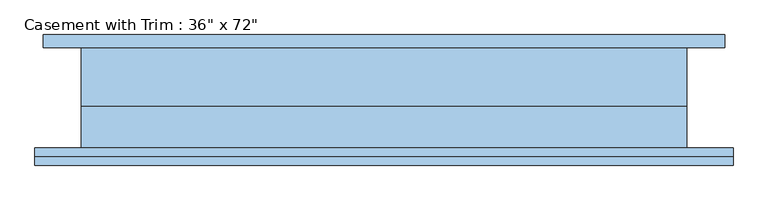
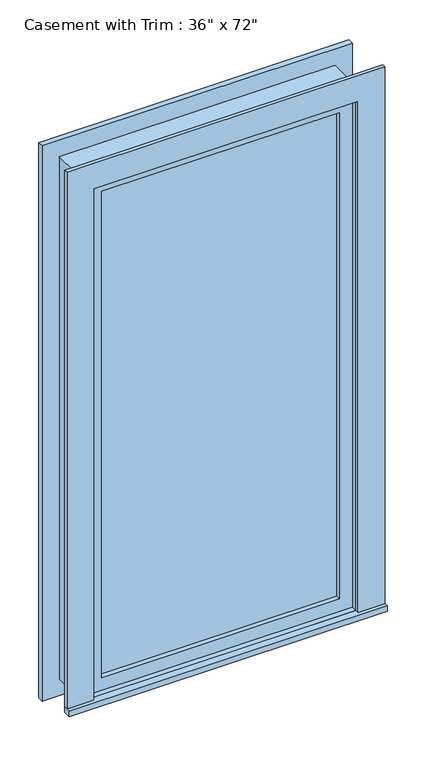
"""IFC4 building model written with IfcOpenShell, lengths in millimetres: window geometry."""

import ifcopenshell
import ifcopenshell.guid

model = None  # the IFC model being written
_history = None  # IfcOwnerHistory: only IFC2X3 demands one
_inside = {}  # id of a spatial element -> (the spatial element, [elements in it])
_under = {}  # id of a project, library or spatial element -> (it, [spatial elements below it])
_declared = {}  # id of a project -> (the project, [libraries it declares])
_typed = {}  # id of a type object -> (the type object, [elements of that type])
_made_of = {}  # id of a material, layer set ... -> (it, [elements and type objects made of it])


def new_model(schema):
    """Start an empty IFC model of exactly this schema.

    Asked for "IFC4X3", IfcOpenShell would pick the latest addendum, in which some entities
    have other attributes; the version numbers below select the first issue.
    IFC2X3 requires an IfcOwnerHistory on every rooted entity: one is made here for all.
    """
    global model, _history
    if schema == "IFC4X3":
        model = ifcopenshell.file(schema_version=(4, 3, 0, 0))
    else:
        model = ifcopenshell.file(schema=schema)
    _inside.clear()
    _under.clear()
    _declared.clear()
    _typed.clear()
    _made_of.clear()
    _history = None
    if model.schema == "IFC2X3":
        org = make("IfcOrganization", Name="unknown")
        user = make(
            "IfcPersonAndOrganization",
            ThePerson=make("IfcPerson", FamilyName="unknown"),
            TheOrganization=org,
        )
        app = make(
            "IfcApplication",
            ApplicationDeveloper=org,
            Version="unknown",
            ApplicationFullName="unknown",
            ApplicationIdentifier="unknown",
        )
        _history = make(
            "IfcOwnerHistory",
            OwningUser=user,
            OwningApplication=app,
            ChangeAction="ADDED",
            CreationDate=0,
        )
    return model


def make(cls, **values):
    """One entity of the class cls with the attributes given. An attribute that is None is left unset."""
    return model.create_entity(
        cls, **{name: value for name, value in values.items() if value is not None}
    )


def rooted(cls, **values):
    """An entity with a GlobalId (a new one), such as an element, a storey or a relation."""
    return make(cls, GlobalId=ifcopenshell.guid.new(), OwnerHistory=_history, **values)


def si_unit(unit_type, name, prefix=None):
    """IfcSIUnit, for example si_unit("LENGTHUNIT", "METRE", prefix="MILLI")."""
    return make("IfcSIUnit", UnitType=unit_type, Prefix=prefix, Name=name)


def assignment(units):
    """IfcUnitAssignment: the units of a project."""
    return None if units is None else make("IfcUnitAssignment", Units=units)


def point(xyz):
    """IfcCartesianPoint."""
    return None if xyz is None else make("IfcCartesianPoint", Coordinates=xyz)


def direction(xyz):
    """IfcDirection."""
    return None if xyz is None else make("IfcDirection", DirectionRatios=xyz)


def frame(location, z_axis=None, x_axis=None):
    """IfcAxis2Placement3D, a coordinate frame: its origin and axes. An axis left out is left unset."""
    return make(
        "IfcAxis2Placement3D",
        Location=point(location),
        Axis=direction(z_axis),
        RefDirection=direction(x_axis),
    )


def origin():
    """The frame at (0, 0, 0) with its axes left unset."""
    return frame((0.0, 0.0, 0.0))


def place(relative_to, where):
    """IfcLocalPlacement: puts the frame where relative to a parent placement (None: the world)."""
    return make(
        "IfcLocalPlacement", PlacementRelTo=relative_to, RelativePlacement=where
    )


def context(
    kind, dimensions, precision=None, world=None, true_north=None, identifier=None
):
    """IfcGeometricRepresentationContext, for example the 3D "Model" context."""
    return make(
        "IfcGeometricRepresentationContext",
        ContextIdentifier=identifier,
        ContextType=kind,
        CoordinateSpaceDimension=dimensions,
        Precision=precision,
        WorldCoordinateSystem=world,
        TrueNorth=true_north,
    )


def project(units=None, contexts=None):
    """IfcProject with its units and contexts."""
    return rooted(
        "IfcProject",
        Name="project",
        RepresentationContexts=contexts,
        UnitsInContext=assignment(units),
    )


def spatial(cls, under=None, at=None, **own):
    """A site, building, storey or space (cls), placed at a placement, below another one or the project."""
    s = rooted(cls, ObjectPlacement=at, **own)
    if under is not None:
        _under.setdefault(under.id(), (under, []))[1].append(s)
    return s


def polyline(points):
    """IfcPolyline through the points."""
    return make("IfcPolyline", Points=[point(p) for p in points])


def outline(outer, holes=None, kind="AREA"):
    """IfcArbitraryClosedProfileDef: a profile drawn as a closed curve; with holes, ...WithVoids."""
    if holes is None:
        return make("IfcArbitraryClosedProfileDef", ProfileType=kind, OuterCurve=outer)
    return make(
        "IfcArbitraryProfileDefWithVoids",
        ProfileType=kind,
        OuterCurve=outer,
        InnerCurves=holes,
    )


def extrude(swept, where, along, depth):
    """IfcExtrudedAreaSolid: the profile swept, set in the frame where, extruded along a direction by depth."""
    return make(
        "IfcExtrudedAreaSolid",
        SweptArea=swept,
        Position=where,
        ExtrudedDirection=direction(along),
        Depth=depth,
    )


def shape(context_of_items, identifier, shape_type, items):
    """IfcShapeRepresentation: the items that make up one representation, for example the "Body"."""
    return make(
        "IfcShapeRepresentation",
        ContextOfItems=context_of_items,
        RepresentationIdentifier=identifier,
        RepresentationType=shape_type,
        Items=items,
    )


def source(mapping_origin, context_of_items, identifier, shape_type, items):
    """IfcRepresentationMap: a shape defined once, which mapped items show again and again."""
    return make(
        "IfcRepresentationMap",
        MappingOrigin=mapping_origin,
        MappedRepresentation=shape(context_of_items, identifier, shape_type, items),
    )


def transform(
    local_origin,
    x_axis=None,
    y_axis=None,
    z_axis=None,
    scale=None,
    scale2=None,
    scale3=None,
    uniform=True,
):
    """IfcCartesianTransformationOperator3D, or its non-uniform kind. x_axis, y_axis, z_axis: its Axis1, 2, 3."""
    if uniform:
        return make(
            "IfcCartesianTransformationOperator3D",
            Axis1=direction(x_axis),
            Axis2=direction(y_axis),
            LocalOrigin=point(local_origin),
            Scale=scale,
            Axis3=direction(z_axis),
        )
    return make(
        "IfcCartesianTransformationOperator3DnonUniform",
        Axis1=direction(x_axis),
        Axis2=direction(y_axis),
        LocalOrigin=point(local_origin),
        Scale=scale,
        Axis3=direction(z_axis),
        Scale2=scale2,
        Scale3=scale3,
    )


def mapped(mapping_source, mapping_target):
    """IfcMappedItem: shows the shape of a source again, moved by a transform."""
    return make(
        "IfcMappedItem", MappingSource=mapping_source, MappingTarget=mapping_target
    )


def made_of(thing, what):
    """Note that an element or type object is made of a material, layer set ...; save() writes the relation."""
    if what is not None:
        _made_of.setdefault(what.id(), (what, []))[1].append(thing)
    return thing


def element(
    cls,
    number,
    at=None,
    inside=None,
    cuts=None,
    type_object=None,
    material=None,
    context=None,
    identifier="Body",
    shape_type=None,
    held_by="IfcProductDefinitionShape",
    body=None,
    shapes=None,
    **own,
):
    """One element of the class cls, such as IfcWall. Its Tag is "e" and its number.

    at: its placement. inside: the storey or other place that contains it. cuts: it is an
    opening in that element (IfcRelVoidsElement). A single representation is given by context,
    identifier, shape_type and body (its items); several are given by shapes. held_by: the class
    of the entity that holds the representations. save() writes the other relations.
    """
    e = rooted(cls, Tag="e%d" % number, ObjectPlacement=at, **own)
    if body is not None:
        shapes = [shape(context, identifier, shape_type, body)]
    if shapes is not None:
        e.Representation = make(held_by, Representations=shapes)
    if inside is not None:
        _inside.setdefault(inside.id(), (inside, []))[1].append(e)
    if cuts is not None:
        rooted(
            "IfcRelVoidsElement", RelatingBuildingElement=cuts, RelatedOpeningElement=e
        )
    if type_object is not None:
        _typed.setdefault(type_object.id(), (type_object, []))[1].append(e)
    return made_of(e, material)


def aggregate(whole, parts):
    """IfcRelAggregates: a whole, such as a stair, and the parts it consists of."""
    return rooted("IfcRelAggregates", RelatingObject=whole, RelatedObjects=parts)


def save(model, path):
    """Write the relations noted so far, then the file.

    IfcRelAggregates (storeys below a building ...), IfcRelContainedInSpatialStructure (elements
    in a storey), IfcRelDefinesByType, IfcRelAssociatesMaterial and IfcRelDeclares: one each for
    every whole, place, type object, material and project.
    """
    for whole, parts in _under.values():
        aggregate(whole, parts)
    for where, things in _inside.values():
        rooted(
            "IfcRelContainedInSpatialStructure",
            RelatedElements=things,
            RelatingStructure=where,
        )
    for kind, things in _typed.values():
        rooted("IfcRelDefinesByType", RelatedObjects=things, RelatingType=kind)
    for what, things in _made_of.values():
        rooted("IfcRelAssociatesMaterial", RelatedObjects=things, RelatingMaterial=what)
    for by, libraries in _declared.values():
        rooted("IfcRelDeclares", RelatingContext=by, RelatedDefinitions=libraries)
    model.write(path)


def window_4d6a1ba7(model_context):
    return source(origin(), model_context, "Body", "SweptSolid", [
        extrude(outline(polyline([(-527.05, -101.6), (-527.05, -76.2), (527.05, -76.2), (527.05, -101.6), (-527.05, -101.6)])), frame((0.0, 0.0, 304.8), z_axis=(0.0, 0.0, 1.0), x_axis=(1.0, 0.0, 0.0)), (0.0, 0.0, 1.0), 19.05),
        extrude(outline(polyline([(2114.55, -438.15), (2114.55, 438.15), (323.85, 438.15), (323.85, 527.05), (2203.45, 527.05), (2203.45, -527.05), (323.85, -527.05), (323.85, -438.15), (2114.55, -438.15)])), frame((0.0, -88.9, 0.0), z_axis=(0.0, 1.0, 0.0), x_axis=(0.0, 0.0, 1.0)), (0.0, 0.0, 1.0), 12.7),
        extrude(outline(polyline([(2190.75, 514.35), (2190.75, -514.35), (247.65, -514.35), (247.65, 514.35), (2190.75, 514.35)]), holes=[polyline([(2101.85, 425.45), (336.55, 425.45), (336.55, -425.45), (2101.85, -425.45), (2101.85, 425.45)])]), frame((0.0, 76.2, 0.0), z_axis=(0.0, 1.0, 0.0), x_axis=(0.0, 0.0, 1.0)), (0.0, 0.0, 1.0), 19.05),
        extrude(outline(polyline([(393.7, -28.575), (393.7, -41.275), (-393.7, -41.275), (-393.7, -28.575), (393.7, -28.575)])), frame((0.0, 0.0, 368.3), z_axis=(0.0, 0.0, 1.0), x_axis=(1.0, 0.0, 0.0)), (0.0, 0.0, 1.0), 1701.8),
        extrude(outline(polyline([(2114.55, -438.15), (323.85, -438.15), (323.85, 438.15), (2114.55, 438.15), (2114.55, -438.15)]), holes=[polyline([(2070.1, -393.7), (2070.1, 393.7), (368.3, 393.7), (368.3, -393.7), (2070.1, -393.7)])]), frame((0.0, -57.15, 0.0), z_axis=(0.0, 1.0, 0.0), x_axis=(0.0, 0.0, 1.0)), (0.0, 0.0, 1.0), 44.45),
        extrude(outline(polyline([(2133.6, -457.2), (304.8, -457.2), (304.8, 457.2), (2133.6, 457.2), (2133.6, -457.2)]), holes=[polyline([(2101.85, -425.45), (2101.85, 425.45), (336.55, 425.45), (336.55, -425.45), (2101.85, -425.45)])]), frame((0.0, -12.7, 0.0), z_axis=(0.0, 1.0, 0.0), x_axis=(0.0, 0.0, 1.0)), (0.0, 0.0, 1.0), 88.9),
        extrude(outline(polyline([(2133.6, 457.2), (2133.6, -457.2), (304.8, -457.2), (304.8, 457.2), (2133.6, 457.2)]), holes=[polyline([(2114.55, 438.15), (323.85, 438.15), (323.85, -438.15), (2114.55, -438.15), (2114.55, 438.15)])]), frame((0.0, -76.2, 0.0), z_axis=(0.0, 1.0, 0.0), x_axis=(0.0, 0.0, 1.0)), (0.0, 0.0, 1.0), 63.5),
    ])


if __name__ == "__main__":
    model = new_model("IFC4")
    model_context = context("Model", 3, world=origin())
    ifc_project = project(units=[si_unit("LENGTHUNIT", "METRE", prefix="MILLI")], contexts=[model_context])
    site = spatial("IfcSite", under=ifc_project)
    building = spatial("IfcBuilding", under=site)
    placement = place(None, origin())
    window_shape = window_4d6a1ba7(model_context)
    element("IfcWindow", 1, ObjectType="Casement with Trim : 36\" x 72\"", at=placement, inside=building, context=model_context, shape_type="MappedRepresentation", body=[
        mapped(window_shape, transform((0.0, 0.0, 0.0), x_axis=(1.0, 0.0, 0.0), y_axis=(0.0, 1.0, 0.0), z_axis=(0.0, 0.0, 1.0))),
    ])
    save(model, "model.ifc")
